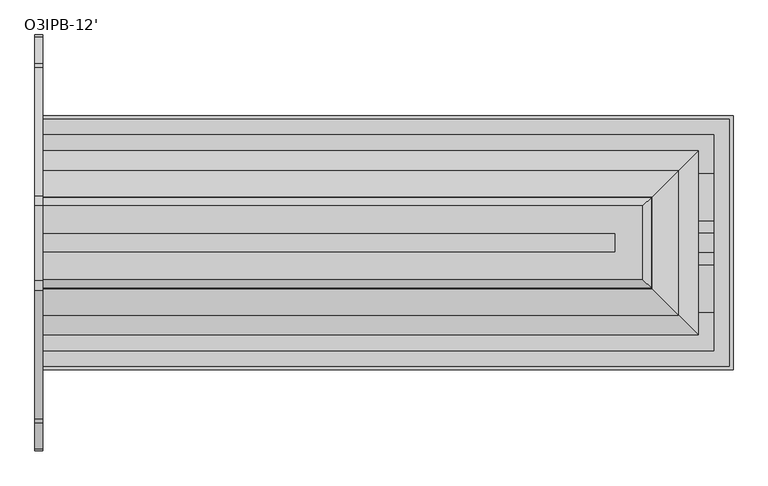
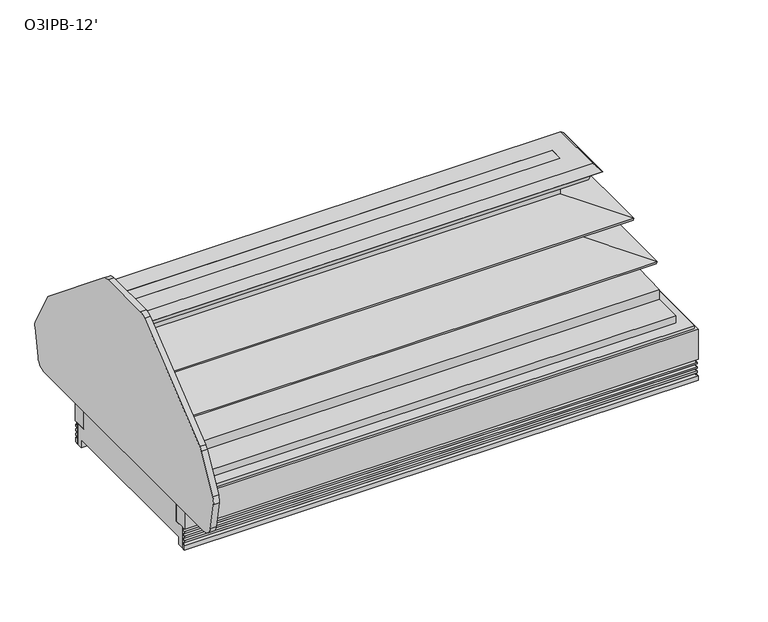
"""IFC4 building model written with IfcOpenShell, lengths in millimetres: proxy geometry, O3IPB-12'."""

from ifc_helpers import new_model, si_unit, point, frame, frame_2d, origin, place, context, project, spatial, polyline, circle_curve, ellipse_curve, trimmed, segment, composite_curve, outline, extrude, faceted_brep, source, transform, mapped, element, save
from ifc_brep_helpers import plane_surface, cylinder_surface, revolved_surface, advanced_brep


def o3ipb_12_e5370c6c(model_context):
    return source(origin(), model_context, "Body", "SolidModel", [
        extrude(outline(polyline([(2986.0875, -1674.7518052), (3290.8875, -1674.7518052), (3290.8875, -1776.3518052), (2986.0875, -1776.3518052), (2986.0875, -1674.7518052)])), frame((0.0, 0.0, 72.0584982), z_axis=(0.0, 0.0, 1.0), x_axis=(1.0, 0.0, 0.0)), (0.0, 0.0, 1.0), 53.975),
        extrude(outline(composite_curve([segment(polyline([(-2347.8726435, 381.2758026), (-2382.8840439, 570.6117318)]), True, "CONTINUOUS"), segment(trimmed(circle_curve(frame_2d((-2307.9543575, 584.4674921)), 76.2), [point((-2382.8840439, 570.6117318))], [point((-2374.9247348, 620.8186758))], False, "CARTESIAN"), True, "CONTINUOUS"), segment(polyline([(-2374.9247348, 620.8186758), (-2245.3126248, 859.6051753)]), True, "CONTINUOUS"), segment(trimmed(circle_curve(frame_2d((-2178.3422475, 823.2539915)), 76.2), [point((-2245.3126248, 859.6051753))], [point((-2226.314448, 882.4579439))], False, "CARTESIAN"), True, "CONTINUOUS"), segment(polyline([(-2226.314448, 882.4579439), (-1595.6995645, 1393.4370667)]), True, "CONTINUOUS"), segment(trimmed(circle_curve(frame_2d((-1547.727364, 1334.2331143)), 76.2), [point((-1595.6995645, 1393.4370667))], [point((-1547.727364, 1410.4331143))], False, "CARTESIAN"), True, "CONTINUOUS"), segment(polyline([(-1547.727364, 1410.4331143), (-1179.1118906, 1410.4331143)]), True, "CONTINUOUS"), segment(trimmed(circle_curve(frame_2d((-1179.1118906, 1334.2331143)), 76.2), [point((-1179.1118906, 1410.4331143))], [point((-1131.13969, 1393.4370667))], False, "CARTESIAN"), True, "CONTINUOUS"), segment(polyline([(-1131.13969, 1393.4370667), (-500.5248066, 882.4579439)]), True, "CONTINUOUS"), segment(trimmed(circle_curve(frame_2d((-548.4970071, 823.2539915)), 76.2), [point((-500.5248066, 882.4579439))], [point((-481.5266298, 859.6051753))], False, "CARTESIAN"), True, "CONTINUOUS"), segment(polyline([(-481.5266298, 859.6051753), (-351.9145198, 620.8186758)]), True, "CONTINUOUS"), segment(trimmed(circle_curve(frame_2d((-418.8848971, 584.4674921)), 76.2), [point((-351.9145198, 620.8186758))], [point((-343.9552107, 570.6117318))], False, "CARTESIAN"), True, "CONTINUOUS"), segment(polyline([(-343.9552107, 570.6117318), (-378.5814629, 383.3586211)]), True, "CONTINUOUS"), segment(trimmed(circle_curve(frame_2d((-453.5111493, 397.2143814)), 76.2), [point((-378.5814629, 383.3586211))], [point((-453.5111493, 321.0143814))], False, "CARTESIAN"), True, "CONTINUOUS"), segment(polyline([(-453.5111493, 321.0143814), (-2273.358204, 321.0143814)]), True, "CONTINUOUS"), segment(trimmed(circle_curve(frame_2d((-2273.358204, 397.2143814)), 76.2), [point((-2273.358204, 321.0143814))], [point((-2347.8726435, 381.2758026))], False, "CARTESIAN"), True, "CONTINUOUS")], self_intersect=False)), frame((-38.1, 0.0, 0.0), z_axis=(1.0, 0.0, 0.0), x_axis=(0.0, 1.0, 0.0)), (0.0, 0.0, 1.0), 38.1),
        extrude(outline(composite_curve([segment(trimmed(circle_curve(frame_2d((1889.91875, -1850.8932531)), 19.05), [point((1870.86875, -1850.8932531))], [point((1908.96875, -1850.8932531))], False, "CARTESIAN"), True, "CONTINUOUS"), segment(trimmed(circle_curve(frame_2d((1889.91875, -1850.8932531)), 19.05), [point((1908.96875, -1850.8932531))], [point((1870.86875, -1850.8932531))], False, "CARTESIAN"), True, "CONTINUOUS")], self_intersect=False)), frame((0.0, 0.0, 21.2413941), z_axis=(0.0, 0.0, 1.0), x_axis=(1.0, 0.0, 0.0)), (0.0, 0.0, 1.0), 105.7586059),
        extrude(outline(composite_curve([segment(trimmed(circle_curve(frame_2d((928.6875, -837.9571273)), 11.1125), [point((917.575, -837.9571273))], [point((939.8, -837.9571273))], False, "CARTESIAN"), True, "CONTINUOUS"), segment(trimmed(circle_curve(frame_2d((928.6875, -837.9571273)), 11.1125), [point((939.8, -837.9571273))], [point((917.575, -837.9571273))], False, "CARTESIAN"), True, "CONTINUOUS")], self_intersect=False)), frame((0.0, 0.0, 31.4790022), z_axis=(0.0, 0.0, 1.0), x_axis=(1.0, 0.0, 0.0)), (0.0, 0.0, 1.0), 95.5209978),
        extrude(outline(composite_curve([segment(trimmed(circle_curve(frame_2d((954.0875, -837.9571273)), 4.7625), [point((949.325, -837.9571273))], [point((958.85, -837.9571273))], False, "CARTESIAN"), True, "CONTINUOUS"), segment(trimmed(circle_curve(frame_2d((954.0875, -837.9571273)), 4.7625), [point((958.85, -837.9571273))], [point((949.325, -837.9571273))], False, "CARTESIAN"), True, "CONTINUOUS")], self_intersect=False)), frame((0.0, 0.0, 31.4790022), z_axis=(0.0, 0.0, 1.0), x_axis=(1.0, 0.0, 0.0)), (0.0, 0.0, 1.0), 95.5209978),
        advanced_brep(
        [(3295.0149993, -1317.3127778, 501.7713996), (3295.0149993, -1317.3127778, 596.3608881), (3295.0149993, -1409.5264768, 596.3608881), (3295.0149993, -1409.5264768, 501.7713996), (3295.0149993, -1471.049877, 501.7713996), (3295.0149993, -1703.6334708, 489.9877274), (3295.0149993, -1703.6334708, 424.8942522), (3295.0149993, -1893.0096266, 424.8942522), (3295.0149993, -1893.0096266, 146.05), (3295.0149993, -1960.1374494, 146.05), (3295.0149993, -1960.1374494, 0.0), (3295.0149993, -1920.6000562, 0.0), (3295.0149993, -1920.6000562, 54.0556911), (3295.0149993, -1838.2500497, 54.0556911), (3295.0149993, -1838.2500497, 127.0), (3295.0149993, -1593.1285055, 127.0), (3295.0149993, -1593.1285055, 54.0556911), (3295.0149993, -806.2071273, 54.0556911), (3295.0149993, -806.2071273, 0.0), (3295.0149993, -766.7018052, 0.0), (3295.0149993, -766.7018052, 146.05), (3295.0149993, -833.829628, 146.05), (3295.0149993, -833.829628, 424.8942522), (3295.0149993, -1023.2057838, 424.8942522), (3295.0149993, -1023.2057838, 489.9877274), (3295.0149993, -1255.7893776, 501.7713996), (0.0, -1317.3127778, 501.7713996), (0.0, -1255.7893776, 501.7713996), (0.0, -1023.2057838, 489.9877274), (0.0, -1023.2057838, 424.8942522), (0.0, -833.829628, 424.8942522), (0.0, -833.829628, 146.05), (0.0, -766.7018052, 146.05), (0.0, -766.7018052, 0.0), (0.0, -806.2071273, 0.0), (0.0, -806.2071273, 54.0556911), (0.0, -1920.6000562, 54.0556911), (0.0, -1920.6000562, 0.0), (0.0, -1960.1374494, 0.0), (0.0, -1960.1374494, 146.05), (0.0, -1893.0096266, 146.05), (0.0, -1893.0096266, 424.8942522), (0.0, -1703.6334708, 424.8942522), (0.0, -1703.6334708, 489.9877274), (0.0, -1471.049877, 501.7713996), (0.0, -1409.5264768, 501.7713996), (0.0, -1409.5264768, 596.3608881), (0.0, -1317.3127778, 596.3608881), (909.6375, -837.9571273, 127.0), (973.1375, -837.9571273, 127.0), (973.1375, -837.9571273, 54.0556911), (909.6375, -837.9571273, 54.0556911), (941.3875, -806.2071273, 54.0556911), (2969.4533744, -1838.2500497, 127.0), (2969.4533744, -1593.1285055, 127.0), (2969.4533744, -1838.2500497, 54.0556911), (2969.4533744, -1593.1285055, 54.0556911), (1864.51875, -1850.8932531, 127.0), (1915.31875, -1850.8932531, 127.0), (1915.31875, -1850.8932531, 54.0556911), (1864.51875, -1850.8932531, 54.0556911), (941.3875, -806.2071273, 0.0)],
        [
            (0, 1),
            (1, 2),
            (2, 3),
            (3, 4),
            (4, 5),
            (5, 6),
            (6, 7),
            (7, 8),
            (8, 9),
            (9, 10),
            (10, 11),
            (11, 12),
            (12, 13),
            (13, 14),
            (14, 15),
            (15, 16),
            (16, 17),
            (17, 18),
            (18, 19),
            (19, 20),
            (20, 21),
            (21, 22),
            (22, 23),
            (23, 24),
            (24, 25),
            (25, 0),
            (26, 27),
            (27, 28),
            (28, 29),
            (29, 30),
            (30, 31),
            (31, 32),
            (32, 33),
            (33, 34),
            (34, 35),
            (35, 36),
            (36, 37),
            (37, 38),
            (38, 39),
            (39, 40),
            (40, 41),
            (41, 42),
            (42, 43),
            (43, 44),
            (44, 45),
            (45, 46),
            (46, 47),
            (47, 26),
            (0, 26),
            (47, 1),
            (46, 2),
            (45, 3),
            (44, 4),
            (43, 5),
            (42, 6),
            (41, 7),
            (40, 8),
            (21, 31),
            (30, 22),
            (29, 23),
            (28, 24),
            (27, 25),
            (48, 49, circle_curve(frame((941.3875, -837.9571273, 127.0), z_axis=(0.0, 0.0, -1.0), x_axis=(1.0, 0.0, 0.0)), 31.75)),
            (49, 48, circle_curve(frame((941.3875, -837.9571273, 127.0), z_axis=(0.0, 0.0, -1.0), x_axis=(1.0, 0.0, 0.0)), 31.75)),
            (49, 50),
            (50, 51, circle_curve(frame((941.3875, -837.9571273, 54.0556911), z_axis=(0.0, 0.0, -1.0), x_axis=(1.0, 0.0, 0.0)), 31.75)),
            (51, 48),
            (51, 52, circle_curve(frame((941.3875, -837.9571273, 54.0556911), z_axis=(0.0, 0.0, -1.0), x_axis=(1.0, 0.0, 0.0)), 31.75)),
            (52, 50, circle_curve(frame((941.3875, -837.9571273, 54.0556911), z_axis=(0.0, 0.0, -1.0), x_axis=(1.0, 0.0, 0.0)), 31.75)),
            (53, 54),
            (54, 15),
            (14, 53),
            (13, 55),
            (55, 53),
            (54, 56),
            (56, 16),
            (55, 56),
            (57, 58, circle_curve(frame((1889.91875, -1850.8932531, 127.0), z_axis=(0.0, 0.0, -1.0), x_axis=(1.0, 0.0, 0.0)), 25.4)),
            (58, 57, circle_curve(frame((1889.91875, -1850.8932531, 127.0), z_axis=(0.0, 0.0, -1.0), x_axis=(1.0, 0.0, 0.0)), 25.4)),
            (58, 59),
            (59, 60, circle_curve(frame((1889.91875, -1850.8932531, 54.0556911), z_axis=(0.0, 0.0, -1.0), x_axis=(1.0, 0.0, 0.0)), 25.4)),
            (60, 57),
            (60, 59, circle_curve(frame((1889.91875, -1850.8932531, 54.0556911), z_axis=(0.0, 0.0, -1.0), x_axis=(1.0, 0.0, 0.0)), 25.4)),
            (39, 9),
            (38, 10),
            (37, 11),
            (36, 12),
            (35, 52),
            (52, 17),
            (34, 61),
            (61, 18),
            (33, 19),
            (32, 20),
        ],
        [
            plane_surface(frame((3295.0149993, -1317.3127778, 596.3608881), z_axis=(1.0, 0.0, 0.0), x_axis=(0.0, 0.0, 1.0))),
            plane_surface(frame((0.0, -1317.3127778, 596.3608881), z_axis=(-1.0, 0.0, 0.0), x_axis=(0.0, 0.0, -1.0))),
            plane_surface(frame((3295.0149993, -1317.3127778, 501.7713996), z_axis=(0.0, 1.0, 0.0), x_axis=(-1.0, 0.0, 0.0))),
            plane_surface(frame((3295.0149993, -1317.3127778, 596.3608881), z_axis=(0.0, 0.0, 1.0), x_axis=(-1.0, 0.0, 0.0))),
            plane_surface(frame((3295.0149993, -1409.5264768, 596.3608881), z_axis=(0.0, -1.0, 0.0), x_axis=(-1.0, 0.0, 0.0))),
            plane_surface(frame((3295.0149993, -1409.5264768, 501.7713996), z_axis=(0.0, 0.0, 1.0), x_axis=(-1.0, 0.0, 0.0))),
            plane_surface(frame((3295.0149993, -1471.049877, 501.7713996), z_axis=(0.0, -0.0505993460418544, 0.9987190326513943), x_axis=(-1.0, 0.0, 0.0))),
            plane_surface(frame((3295.0149993, -1703.6334708, 489.9877274), z_axis=(0.0, -1.0, 0.0), x_axis=(-1.0, 0.0, 0.0))),
            plane_surface(frame((3295.0149993, -1703.6334708, 424.8942522), z_axis=(0.0, 0.0, 1.0), x_axis=(-1.0, 0.0, 0.0))),
            plane_surface(frame((3295.0149993, -1893.0096266, 424.8942522), z_axis=(0.0, -1.0, 0.0), x_axis=(-1.0, 0.0, 0.0))),
            plane_surface(frame((3295.0149993, -833.829628, 146.05), z_axis=(0.0, 1.0, 0.0), x_axis=(-1.0, 0.0, 0.0))),
            plane_surface(frame((3295.0149993, -833.829628, 424.8942522), z_axis=(0.0, 0.0, 1.0), x_axis=(-1.0, 0.0, 0.0))),
            plane_surface(frame((3295.0149993, -1023.2057838, 424.8942522), z_axis=(0.0, 1.0, 0.0), x_axis=(-1.0, 0.0, 0.0))),
            plane_surface(frame((3295.0149993, -1023.2057838, 489.9877274), z_axis=(0.0, 0.050599346041856966, 0.9987190326513942), x_axis=(-1.0, 0.0, 0.0))),
            plane_surface(frame((3295.0149993, -1255.7893776, 501.7713996), z_axis=(0.0, 0.0, 1.0), x_axis=(-1.0, 0.0, 0.0))),
            plane_surface(frame((973.1375, -837.9571273, 127.0), z_axis=(0.0, 0.0, -1.0), x_axis=(0.0, 1.0, 0.0))),
            revolved_surface(polyline([(973.1375, -837.9571273, 127.0), (973.1375, -837.9571273, 54.0556911)]), (941.3875, -837.9571273, 0.0), (0.0, 0.0, 1.0)),
            plane_surface(frame((3312.3533744, -1838.2500497, 127.0), z_axis=(0.0, 0.0, -1.0), x_axis=(1.0, 0.0, 0.0))),
            plane_surface(frame((2969.4533744, -1838.2500497, 127.0), z_axis=(0.0, 1.0, 0.0), x_axis=(0.0, 0.0, -1.0))),
            plane_surface(frame((3312.3533744, -1593.1285055, 127.0), z_axis=(0.0, -1.0, 0.0), x_axis=(0.0, 0.0, -1.0))),
            plane_surface(frame((2969.4533744, -1593.1285055, 127.0), z_axis=(1.0, 0.0, 0.0), x_axis=(0.0, 0.0, -1.0))),
            plane_surface(frame((1915.31875, -1850.8932531, 127.0), z_axis=(0.0, 0.0, -1.0), x_axis=(0.0, 1.0, 0.0))),
            revolved_surface(polyline([(1915.3187500000001, -1850.8932531, 127.0), (1915.3187500000001, -1850.8932531, 54.0556911)]), (1889.91875, -1850.8932531, 0.0), (0.0, 0.0, 1.0)),
            plane_surface(frame((3295.0149993, -1893.0096266, 146.05), z_axis=(0.0, 0.0, 1.0), x_axis=(-1.0, 0.0, 0.0))),
            plane_surface(frame((3295.0149993, -1960.1374494, 146.05), z_axis=(0.0, -1.0, 0.0), x_axis=(-1.0, 0.0, 0.0))),
            plane_surface(frame((3295.0149993, -1960.1374494, 0.0), z_axis=(0.0, 0.0, -1.0), x_axis=(-1.0, 0.0, 0.0))),
            plane_surface(frame((3295.0149993, -1920.6000562, 0.0), z_axis=(0.0, 1.0, 0.0), x_axis=(-1.0, 0.0, 0.0))),
            plane_surface(frame((3295.0149993, -1920.6000562, 54.0556911), z_axis=(0.0, 0.0, -1.0), x_axis=(-1.0, 0.0, 0.0))),
            plane_surface(frame((3295.0149993, -806.2071273, 54.0556911), z_axis=(0.0, -1.0, 0.0), x_axis=(-1.0, 0.0, 0.0))),
            plane_surface(frame((3295.0149993, -806.2071273, 0.0), z_axis=(0.0, 0.0, -1.0), x_axis=(-1.0, 0.0, 0.0))),
            plane_surface(frame((3295.0149993, -766.7018052, 0.0), z_axis=(0.0, 1.0, 0.0), x_axis=(-1.0, 0.0, 0.0))),
            plane_surface(frame((3295.0149993, -766.7018052, 146.05), z_axis=(0.0, 0.0, 1.0), x_axis=(-1.0, 0.0, 0.0))),
        ],
        [
            (0, [[1, 2, 3, 4, 5, 6, 7, 8, 9, 10, 11, 12, 13, 14, 15, 16, 17, 18, 19, 20, 21, 22, 23, 24, 25, 26]]),
            (1, [[27, 28, 29, 30, 31, 32, 33, 34, 35, 36, 37, 38, 39, 40, 41, 42, 43, 44, 45, 46, 47, 48]]),
            (2, [[-1, 49, -48, 50]]),
            (3, [[-2, -50, -47, 51]]),
            (4, [[-3, -51, -46, 52]]),
            (5, [[-4, -52, -45, 53]]),
            (6, [[-5, -53, -44, 54]]),
            (7, [[-6, -54, -43, 55]]),
            (8, [[-7, -55, -42, 56]]),
            (9, [[-8, -56, -41, 57]]),
            (10, [[-22, 58, -31, 59]]),
            (11, [[-23, -59, -30, 60]]),
            (12, [[-24, -60, -29, 61]]),
            (13, [[-25, -61, -28, 62]]),
            (14, [[-26, -62, -27, -49]]),
            (15, [[63, 64]]),
            (16, [[-64, 65, 66, 67]]),
            (16, [[-63, -67, 68, 69, -65]]),
            (17, [[70, 71, -15, 72]]),
            (18, [[-72, -14, 73, 74]]),
            (19, [[-71, 75, 76, -16]]),
            (20, [[-70, -74, 77, -75]]),
            (21, [[78, 79]]),
            (22, [[-79, 80, 81, 82]]),
            (22, [[-78, -82, 83, -80]]),
            (23, [[-9, -57, -40, 84]]),
            (24, [[-10, -84, -39, 85]]),
            (25, [[-11, -85, -38, 86]]),
            (26, [[-12, -86, -37, 87]]),
            (27, [[-36, 88, -68, -66, -69, 89, -17, -76, -77, -73, -13, -87], [-81, -83]]),
            (28, [[-18, -89, -88, -35, 90, 91]]),
            (29, [[-19, -91, -90, -34, 92]]),
            (30, [[-20, -92, -33, 93]]),
            (31, [[-21, -93, -32, -58]]),
        ],
    ),
        faceted_brep([(0.0, -1969.2096266, 354.3983804), (0.0, -1969.2096266, 374.65), (0.0, -1893.0096266, 374.65), (0.0, -1893.0096266, 146.05), (0.0, -1987.1166266, 146.05), (0.0, -1987.1166266, 354.3983804), (3371.2149993, -1969.2096266, 374.65), (3371.2149993, -1969.2096266, 354.3983804), (3371.2149993, -757.629628, 354.3983804), (3371.2149993, -757.629628, 374.65), (3295.0149993, -1893.0096266, 146.05), (3295.0149993, -1893.0096266, 374.65), (3295.0149993, -833.829628, 374.65), (3295.0149993, -833.829628, 146.05), (3389.1219993, -1987.1166266, 354.3983804), (3389.1219993, -1987.1166266, 146.05), (3389.1219993, -739.722628, 146.05), (3389.1219993, -739.722628, 354.3983804), (0.0, -757.629628, 354.3983804), (0.0, -757.629628, 374.65), (0.0, -833.829628, 374.65), (0.0, -833.829628, 146.05), (0.0, -739.722628, 146.05), (0.0, -739.722628, 354.3983804)], [[[0, 1, 2, 3, 4, 5]], [[6, 7, 8, 9]], [[10, 11, 12, 13]], [[14, 15, 16, 17]], [[9, 8, 18, 19]], [[13, 12, 20, 21]], [[17, 16, 22, 23]], [[18, 23, 22, 21, 20, 19]], [[1, 0, 7, 6]], [[2, 1, 6, 9, 19, 20, 12, 11]], [[3, 2, 11, 10]], [[4, 3, 10, 13, 21, 22, 16, 15]], [[5, 4, 15, 14]], [[0, 5, 14, 17, 23, 18, 8, 7]]]),
        advanced_brep(
        [(0.0, -1985.7651061, 31.4790022), (0.0, -1973.7348032, 41.0863151), (0.0, -1970.2457061, 52.2515752), (0.0, -1980.8829014, 50.0937524), (0.0, -1982.8768014, 50.0937524), (0.0, -1982.8768014, 62.7937524), (0.0, -1973.7348032, 72.0584982), (0.0, -1970.2457061, 83.2237583), (0.0, -1980.8829014, 81.0659355), (0.0, -1982.8768014, 81.0659355), (0.0, -1982.8768014, 93.7659355), (0.0, -1973.7348032, 103.0306813), (0.0, -1970.2457061, 114.0694894), (0.0, -1980.8829014, 112.0383055), (0.0, -1982.8768014, 112.0383055), (0.0, -1982.8768014, 124.7383055), (0.0, -1970.2457061, 137.4381186), (0.0, -1970.2457061, 146.05), (0.0, -1960.1374494, 146.05), (0.0, -1960.1374494, 0.0), (0.0, -1985.7651061, 0.0), (3387.7704788, -1985.7651061, 31.4790022), (3375.7401759, -1973.7348032, 41.0863151), (3372.2510788, -1970.2457061, 52.2515752), (3382.8882741, -1980.8829014, 50.0937524), (3382.8882741, -745.9563532, 50.0937524), (0.0, -745.9563532, 50.0937524), (0.0, -743.9624532, 50.0937524), (3384.8821741, -743.9624532, 50.0937524), (3384.8821741, -1982.8768014, 50.0937524), (3384.8821741, -1982.8768014, 62.7937524), (3375.7401759, -1973.7348032, 72.0584982), (3372.2510788, -1970.2457061, 83.2237583), (3382.8882741, -1980.8829014, 81.0659355), (3382.8882741, -745.9563532, 81.0659355), (0.0, -745.9563532, 81.0659355), (0.0, -743.9624532, 81.0659355), (3384.8821741, -743.9624532, 81.0659355), (3384.8821741, -1982.8768014, 81.0659355), (3384.8821741, -1982.8768014, 93.7659355), (3375.7401759, -1973.7348032, 103.0306813), (3372.2510788, -1970.2457061, 114.0694894), (3382.8882741, -1980.8829014, 112.0383055), (3382.8882741, -745.9563532, 112.0383055), (0.0, -745.9563532, 112.0383055), (0.0, -743.9624532, 112.0383055), (3384.8821741, -743.9624532, 112.0383055), (3384.8821741, -1982.8768014, 112.0383055), (3384.8821741, -1982.8768014, 124.7383055), (3372.2510788, -1970.2457061, 137.4381186), (3372.2510788, -1970.2457061, 146.05), (3372.2510788, -756.5935485, 146.05), (0.0, -756.5935485, 146.05), (0.0, -766.7018052, 146.05), (3362.1428221, -766.7018052, 146.05), (3362.1428221, -1960.1374494, 146.05), (3362.1428221, -1960.1374494, 0.0), (3362.1428221, -766.7018052, 0.0), (0.0, -766.7018052, 0.0), (0.0, -741.0741485, 0.0), (3387.7704788, -741.0741485, 0.0), (3387.7704788, -1985.7651061, 0.0), (3387.7704788, -741.0741485, 31.4790022), (3375.7401759, -753.1044514, 41.0863151), (3372.2510788, -756.5935485, 52.2515752), (3384.8821741, -743.9624532, 62.7937524), (3375.7401759, -753.1044514, 72.0584982), (3372.2510788, -756.5935485, 83.2237583), (3384.8821741, -743.9624532, 93.7659355), (3375.7401759, -753.1044514, 103.0306813), (3372.2510788, -756.5935485, 114.0694894), (3384.8821741, -743.9624532, 124.7383055), (3372.2510788, -756.5935485, 137.4381186), (0.0, -756.5935485, 52.2515752), (0.0, -753.1044514, 41.0863151), (0.0, -741.0741485, 31.4790022), (0.0, -756.5935485, 137.4381186), (0.0, -743.9624532, 124.7383055), (0.0, -756.5935485, 114.0694894), (0.0, -753.1044514, 103.0306813), (0.0, -743.9624532, 93.7659355), (0.0, -756.5935485, 83.2237583), (0.0, -753.1044514, 72.0584982), (0.0, -743.9624532, 62.7937524)],
        [
            (0, 1, circle_curve(frame((0.0, -1984.7113588, 42.4953422), z_axis=(1.0, 0.0, 0.0), x_axis=(0.0, 1.0, 0.0)), 11.0666223)),
            (1, 2),
            (2, 3),
            (3, 4),
            (4, 5),
            (5, 6, circle_curve(frame((0.0, -1986.0686404, 75.0861144), z_axis=(1.0, 0.0, 0.0), x_axis=(0.0, 1.0, 0.0)), 12.7)),
            (6, 7),
            (7, 8),
            (8, 9),
            (9, 10),
            (10, 11, circle_curve(frame((0.0, -1986.0686404, 106.0582975), z_axis=(1.0, 0.0, 0.0), x_axis=(0.0, 1.0, 0.0)), 12.7)),
            (11, 12),
            (12, 13),
            (13, 14),
            (14, 15),
            (15, 16, circle_curve(frame((0.0, -1982.9457061, 137.4381186), z_axis=(1.0, 0.0, 0.0), x_axis=(0.0, 1.0, 0.0)), 12.7)),
            (16, 17),
            (17, 18),
            (18, 19),
            (19, 20),
            (20, 0),
            (0, 21),
            (21, 22, ellipse_curve(frame((3386.7167315, -1984.7113588, 42.4953422), z_axis=(0.7071067811865475, 0.7071067811865475, 0.0), x_axis=(0.7071067811865476, -0.7071067811865474, 0.0)), 15.6505674, 11.0666223)),
            (22, 1),
            (22, 23),
            (23, 2),
            (23, 24),
            (24, 3),
            (24, 25),
            (25, 26),
            (26, 27),
            (27, 28),
            (28, 29),
            (29, 4),
            (29, 30),
            (30, 5),
            (30, 31, ellipse_curve(frame((3388.0740131, -1986.0686404, 75.0861144), z_axis=(0.7071067811865475, 0.7071067811865475, 0.0), x_axis=(0.7071067811865476, -0.7071067811865474, 0.0)), 17.9605122, 12.7)),
            (31, 6),
            (31, 32),
            (32, 7),
            (32, 33),
            (33, 8),
            (33, 34),
            (34, 35),
            (35, 36),
            (36, 37),
            (37, 38),
            (38, 9),
            (38, 39),
            (39, 10),
            (39, 40, ellipse_curve(frame((3388.0740131, -1986.0686404, 106.0582975), z_axis=(0.7071067811865475, 0.7071067811865475, 0.0), x_axis=(0.7071067811865476, -0.7071067811865474, 0.0)), 17.9605122, 12.7)),
            (40, 11),
            (40, 41),
            (41, 12),
            (41, 42),
            (42, 13),
            (42, 43),
            (43, 44),
            (44, 45),
            (45, 46),
            (46, 47),
            (47, 14),
            (47, 48),
            (48, 15),
            (48, 49, ellipse_curve(frame((3384.9510788, -1982.9457061, 137.4381186), z_axis=(0.7071067811865475, 0.7071067811865475, 0.0), x_axis=(0.7071067811865476, -0.7071067811865474, 0.0)), 17.9605122, 12.7)),
            (49, 16),
            (49, 50),
            (50, 17),
            (50, 51),
            (51, 52),
            (52, 53),
            (53, 54),
            (54, 55),
            (55, 18),
            (55, 56),
            (56, 19),
            (56, 57),
            (57, 58),
            (58, 59),
            (59, 60),
            (60, 61),
            (61, 20),
            (61, 21),
            (21, 62),
            (62, 63, ellipse_curve(frame((3386.7167315, -742.1278958, 42.4953422), z_axis=(-0.7071067811865475, 0.7071067811865475, 0.0), x_axis=(0.7071067811865474, 0.7071067811865476, 0.0)), 15.6505674, 11.0666223)),
            (63, 22),
            (63, 64),
            (64, 23),
            (64, 25),
            (28, 65),
            (65, 30),
            (65, 66, ellipse_curve(frame((3388.0740131, -740.7706142, 75.0861144), z_axis=(-0.7071067811865475, 0.7071067811865475, 0.0), x_axis=(0.7071067811865474, 0.7071067811865476, 0.0)), 17.9605122, 12.7)),
            (66, 31),
            (66, 67),
            (67, 32),
            (67, 34),
            (37, 68),
            (68, 39),
            (68, 69, ellipse_curve(frame((3388.0740131, -740.7706142, 106.0582975), z_axis=(-0.7071067811865475, 0.7071067811865475, 0.0), x_axis=(0.7071067811865474, 0.7071067811865476, 0.0)), 17.9605122, 12.7)),
            (69, 40),
            (69, 70),
            (70, 41),
            (70, 43),
            (46, 71),
            (71, 48),
            (71, 72, ellipse_curve(frame((3384.9510788, -743.8935485, 137.4381186), z_axis=(-0.7071067811865475, 0.7071067811865475, 0.0), x_axis=(0.7071067811865474, 0.7071067811865476, 0.0)), 17.9605122, 12.7)),
            (72, 49),
            (72, 51),
            (54, 57),
            (60, 62),
            (26, 73),
            (73, 74),
            (74, 75, circle_curve(frame((0.0, -742.1278958, 42.4953422), z_axis=(1.0, 0.0, 0.0), x_axis=(0.0, -1.0, 0.0)), 11.0666223)),
            (75, 59),
            (58, 53),
            (52, 76),
            (76, 77, circle_curve(frame((0.0, -743.8935485, 137.4381186), z_axis=(1.0, 0.0, 0.0), x_axis=(0.0, -1.0, 0.0)), 12.7)),
            (77, 45),
            (44, 78),
            (78, 79),
            (79, 80, circle_curve(frame((0.0, -740.7706142, 106.0582975), z_axis=(1.0, 0.0, 0.0), x_axis=(0.0, -1.0, 0.0)), 12.7)),
            (80, 36),
            (35, 81),
            (81, 82),
            (82, 83, circle_curve(frame((0.0, -740.7706142, 75.0861144), z_axis=(1.0, 0.0, 0.0), x_axis=(0.0, -1.0, 0.0)), 12.7)),
            (83, 27),
            (62, 75),
            (74, 63),
            (73, 64),
            (83, 65),
            (82, 66),
            (81, 67),
            (80, 68),
            (79, 69),
            (78, 70),
            (77, 71),
            (76, 72),
        ],
        [
            plane_surface(frame((0.0, -2377.8321273, 0.0), z_axis=(-1.0, 0.0, 0.0), x_axis=(0.0, 0.0, 1.0))),
            revolved_surface(polyline([(3397.7833538379573, -1973.6447365, 42.4953422), (0.0, -1973.6447365, 42.4953422)]), (0.0, -1984.7113588, 42.4953422), (1.0, 0.0, 0.0)),
            plane_surface(frame((0.0, -1973.7348032, 41.0863151), z_axis=(0.0, -0.9544811145041915, 0.29827135641029406), x_axis=(1.0, 0.0, 0.0))),
            plane_surface(frame((0.0, -1970.2457061, 52.2515752), z_axis=(0.0, 0.19880707887699167, -0.9800386448443743), x_axis=(1.0, 0.0, 0.0))),
            plane_surface(frame((0.0, -1980.8829014, 50.0937524), z_axis=(0.0, 0.0, -1.0), x_axis=(1.0, 0.0, 0.0))),
            plane_surface(frame((0.0, -1982.8768014, 50.0937524), z_axis=(0.0, -1.0, 0.0), x_axis=(1.0, 0.0, 0.0))),
            revolved_surface(polyline([(3400.7740130702036, -1973.3686404, 75.0861144), (0.0, -1973.3686404, 75.0861144)]), (0.0, -1986.0686404, 75.0861144), (1.0, 0.0, 0.0)),
            plane_surface(frame((0.0, -1973.7348032, 72.0584982), z_axis=(0.0, -0.954481114504461, 0.2982713564094313), x_axis=(1.0, 0.0, 0.0))),
            plane_surface(frame((0.0, -1970.2457061, 83.2237583), z_axis=(0.0, 0.19880707887699767, -0.9800386448443731), x_axis=(1.0, 0.0, 0.0))),
            plane_surface(frame((0.0, -1980.8829014, 81.0659355), z_axis=(0.0, 0.0, -1.0), x_axis=(1.0, 0.0, 0.0))),
            plane_surface(frame((0.0, -1982.8768014, 81.0659355), z_axis=(0.0, -1.0, 0.0), x_axis=(1.0, 0.0, 0.0))),
            revolved_surface(polyline([(3400.7740130702036, -1973.3686404, 106.0582975), (0.0, -1973.3686404, 106.0582975)]), (0.0, -1986.0686404, 106.0582975), (1.0, 0.0, 0.0)),
            plane_surface(frame((0.0, -1973.7348032, 103.0306813), z_axis=(0.0, -0.9535043111332897, 0.3013793766172973), x_axis=(1.0, 0.0, 0.0))),
            plane_surface(frame((0.0, -1970.2457061, 114.0694894), z_axis=(0.0, 0.18756221551803973, -0.9822527247658641), x_axis=(1.0, 0.0, 0.0))),
            plane_surface(frame((0.0, -1980.8829014, 112.0383055), z_axis=(0.0, 0.0, -1.0), x_axis=(1.0, 0.0, 0.0))),
            plane_surface(frame((0.0, -1982.8768014, 112.0383055), z_axis=(0.0, -1.0, 0.0), x_axis=(1.0, 0.0, 0.0))),
            revolved_surface(polyline([(3397.6510787702036, -1970.2457061, 137.4381186), (0.0, -1970.2457061, 137.4381186)]), (0.0, -1982.9457061, 137.4381186), (1.0, 0.0, 0.0)),
            plane_surface(frame((0.0, -1970.2457061, 137.4381186), z_axis=(0.0, -1.0, 0.0), x_axis=(1.0, 0.0, 0.0))),
            plane_surface(frame((0.0, -1970.2457061, 146.05), z_axis=(0.0, 0.0, 1.0), x_axis=(1.0, 0.0, 0.0))),
            plane_surface(frame((0.0, -1960.1374494, 146.05), z_axis=(0.0, 1.0, 0.0), x_axis=(1.0, 0.0, 0.0))),
            plane_surface(frame((0.0, -1960.1374494, 0.0), z_axis=(0.0, 0.0, -1.0), x_axis=(1.0, 0.0, 0.0))),
            plane_surface(frame((0.0, -1985.7651061, 0.0), z_axis=(0.0, -1.0, 0.0), x_axis=(1.0, 0.0, 0.0))),
            revolved_surface(polyline([(3375.6501092000003, -731.0612734620429, 42.4953422), (3375.6501092000003, -1995.777981137957, 42.4953422)]), (3386.7167315, -2377.8321273, 42.4953422), (0.0, 1.0, 0.0)),
            plane_surface(frame((3375.7401759, -1973.7348032, 41.0863151), z_axis=(0.9544811145041915, 0.0, 0.29827135641029406), x_axis=(0.0, 1.0, 0.0))),
            plane_surface(frame((3372.2510788, -1970.2457061, 52.2515752), z_axis=(-0.19880707887699167, 0.0, -0.9800386448443743), x_axis=(0.0, 1.0, 0.0))),
            plane_surface(frame((3384.8821741, -1982.8768014, 50.0937524), z_axis=(1.0, 0.0, 0.0), x_axis=(0.0, 1.0, 0.0))),
            revolved_surface(polyline([(3375.3740131, -728.0706142297963, 75.0861144), (3375.3740131, -1998.7686403702037, 75.0861144)]), (3388.0740131, -2377.8321273, 75.0861144), (0.0, 1.0, 0.0)),
            plane_surface(frame((3375.7401759, -1973.7348032, 72.0584982), z_axis=(0.954481114504461, 0.0, 0.2982713564094313), x_axis=(0.0, 1.0, 0.0))),
            plane_surface(frame((3372.2510788, -1970.2457061, 83.2237583), z_axis=(-0.19880707887699767, 0.0, -0.9800386448443731), x_axis=(0.0, 1.0, 0.0))),
            plane_surface(frame((3384.8821741, -1982.8768014, 81.0659355), z_axis=(1.0, 0.0, 0.0), x_axis=(0.0, 1.0, 0.0))),
            revolved_surface(polyline([(3375.3740131, -728.0706142297963, 106.0582975), (3375.3740131, -1998.7686403702037, 106.0582975)]), (3388.0740131, -2377.8321273, 106.0582975), (0.0, 1.0, 0.0)),
            plane_surface(frame((3375.7401759, -1973.7348032, 103.0306813), z_axis=(0.9535043111332897, 0.0, 0.3013793766172973), x_axis=(0.0, 1.0, 0.0))),
            plane_surface(frame((3372.2510788, -1970.2457061, 114.0694894), z_axis=(-0.18756221551803973, 0.0, -0.9822527247658641), x_axis=(0.0, 1.0, 0.0))),
            plane_surface(frame((3384.8821741, -1982.8768014, 112.0383055), z_axis=(1.0, 0.0, 0.0), x_axis=(0.0, 1.0, 0.0))),
            revolved_surface(polyline([(3372.2510788, -731.1935485297963, 137.4381186), (3372.2510788, -1995.6457060702037, 137.4381186)]), (3384.9510788, -2377.8321273, 137.4381186), (0.0, 1.0, 0.0)),
            plane_surface(frame((3372.2510788, -1970.2457061, 137.4381186), z_axis=(1.0, 0.0, 0.0), x_axis=(0.0, 1.0, 0.0))),
            plane_surface(frame((3362.1428221, -1960.1374494, 146.05), z_axis=(-1.0, 0.0, 0.0), x_axis=(0.0, 1.0, 0.0))),
            plane_surface(frame((3387.7704788, -1985.7651061, 0.0), z_axis=(1.0, 0.0, 0.0), x_axis=(0.0, 1.0, 0.0))),
            plane_surface(frame((0.0, -349.0071273, 0.0), z_axis=(-1.0, 0.0, 0.0), x_axis=(0.0, 0.0, 1.0))),
            revolved_surface(polyline([(0.0, -753.1945181, 42.4953422), (3397.7833538379573, -753.1945181, 42.4953422)]), (3779.8375, -742.1278958, 42.4953422), (-1.0, 0.0, 0.0)),
            plane_surface(frame((3375.7401759, -753.1044514, 41.0863151), z_axis=(0.0, 0.9544811145041915, 0.29827135641029406), x_axis=(-1.0, 0.0, 0.0))),
            plane_surface(frame((3372.2510788, -756.5935485, 52.2515752), z_axis=(0.0, -0.19880707887699167, -0.9800386448443743), x_axis=(-1.0, 0.0, 0.0))),
            plane_surface(frame((3384.8821741, -743.9624532, 50.0937524), z_axis=(0.0, 1.0, 0.0), x_axis=(-1.0, 0.0, 0.0))),
            revolved_surface(polyline([(0.0, -753.4706142, 75.0861144), (3400.7740130702036, -753.4706142, 75.0861144)]), (3779.8375, -740.7706142, 75.0861144), (-1.0, 0.0, 0.0)),
            plane_surface(frame((3375.7401759, -753.1044514, 72.0584982), z_axis=(0.0, 0.954481114504461, 0.2982713564094313), x_axis=(-1.0, 0.0, 0.0))),
            plane_surface(frame((3372.2510788, -756.5935485, 83.2237583), z_axis=(0.0, -0.19880707887699767, -0.9800386448443731), x_axis=(-1.0, 0.0, 0.0))),
            plane_surface(frame((3384.8821741, -743.9624532, 81.0659355), z_axis=(0.0, 1.0, 0.0), x_axis=(-1.0, 0.0, 0.0))),
            revolved_surface(polyline([(0.0, -753.4706142, 106.0582975), (3400.7740130702036, -753.4706142, 106.0582975)]), (3779.8375, -740.7706142, 106.0582975), (-1.0, 0.0, 0.0)),
            plane_surface(frame((3375.7401759, -753.1044514, 103.0306813), z_axis=(0.0, 0.9535043111332897, 0.3013793766172973), x_axis=(-1.0, 0.0, 0.0))),
            plane_surface(frame((3372.2510788, -756.5935485, 114.0694894), z_axis=(0.0, -0.18756221551803973, -0.9822527247658641), x_axis=(-1.0, 0.0, 0.0))),
            plane_surface(frame((3384.8821741, -743.9624532, 112.0383055), z_axis=(0.0, 1.0, 0.0), x_axis=(-1.0, 0.0, 0.0))),
            revolved_surface(polyline([(0.0, -756.5935485, 137.4381186), (3397.6510787702036, -756.5935485, 137.4381186)]), (3779.8375, -743.8935485, 137.4381186), (-1.0, 0.0, 0.0)),
            plane_surface(frame((3372.2510788, -756.5935485, 137.4381186), z_axis=(0.0, 1.0, 0.0), x_axis=(-1.0, 0.0, 0.0))),
            plane_surface(frame((3362.1428221, -766.7018052, 146.05), z_axis=(0.0, -1.0, 0.0), x_axis=(-1.0, 0.0, 0.0))),
            plane_surface(frame((3387.7704788, -741.0741485, 0.0), z_axis=(0.0, 1.0, 0.0), x_axis=(-1.0, 0.0, 0.0))),
        ],
        [
            (0, [[1, 2, 3, 4, 5, 6, 7, 8, 9, 10, 11, 12, 13, 14, 15, 16, 17, 18, 19, 20, 21]]),
            (1, [[-1, 22, 23, 24]]),
            (2, [[-2, -24, 25, 26]]),
            (3, [[-3, -26, 27, 28]]),
            (4, [[-4, -28, 29, 30, 31, 32, 33, 34]]),
            (5, [[-5, -34, 35, 36]]),
            (6, [[-6, -36, 37, 38]]),
            (7, [[-7, -38, 39, 40]]),
            (8, [[-8, -40, 41, 42]]),
            (9, [[-9, -42, 43, 44, 45, 46, 47, 48]]),
            (10, [[-10, -48, 49, 50]]),
            (11, [[-11, -50, 51, 52]]),
            (12, [[-12, -52, 53, 54]]),
            (13, [[-13, -54, 55, 56]]),
            (14, [[-14, -56, 57, 58, 59, 60, 61, 62]]),
            (15, [[-15, -62, 63, 64]]),
            (16, [[-16, -64, 65, 66]]),
            (17, [[-17, -66, 67, 68]]),
            (18, [[-18, -68, 69, 70, 71, 72, 73, 74]]),
            (19, [[-19, -74, 75, 76]]),
            (20, [[-20, -76, 77, 78, 79, 80, 81, 82]]),
            (21, [[-21, -82, 83, -22]]),
            (22, [[-23, 84, 85, 86]]),
            (23, [[-25, -86, 87, 88]]),
            (24, [[-27, -88, 89, -29]]),
            (25, [[-33, 90, 91, -35]]),
            (26, [[-37, -91, 92, 93]]),
            (27, [[-39, -93, 94, 95]]),
            (28, [[-41, -95, 96, -43]]),
            (29, [[-47, 97, 98, -49]]),
            (30, [[-51, -98, 99, 100]]),
            (31, [[-53, -100, 101, 102]]),
            (32, [[-55, -102, 103, -57]]),
            (33, [[-61, 104, 105, -63]]),
            (34, [[-65, -105, 106, 107]]),
            (35, [[-67, -107, 108, -69]]),
            (36, [[-73, 109, -77, -75]]),
            (37, [[-81, 110, -84, -83]]),
            (38, [[-31, 111, 112, 113, 114, -79, 115, -71, 116, 117, 118, -59, 119, 120, 121, 122, -45, 123, 124, 125, 126]]),
            (39, [[-85, 127, -113, 128]]),
            (40, [[-87, -128, -112, 129]]),
            (41, [[-30, -89, -129, -111]]),
            (42, [[-32, -126, 130, -90]]),
            (43, [[-92, -130, -125, 131]]),
            (44, [[-94, -131, -124, 132]]),
            (45, [[-44, -96, -132, -123]]),
            (46, [[-46, -122, 133, -97]]),
            (47, [[-99, -133, -121, 134]]),
            (48, [[-101, -134, -120, 135]]),
            (49, [[-58, -103, -135, -119]]),
            (50, [[-60, -118, 136, -104]]),
            (51, [[-106, -136, -117, 137]]),
            (52, [[-70, -108, -137, -116]]),
            (53, [[-72, -115, -78, -109]]),
            (54, [[-80, -114, -127, -110]]),
        ],
    ),
        faceted_brep([(0.0, -1577.4755258, 1073.8457968), (0.0, -1581.1886465, 1085.9908672), (0.0, -1714.025354, 1045.3786101), (0.0, -1717.9705447, 1058.2827474), (0.0, -1409.5264768, 1152.5835624), (0.0, -1409.5264768, 1092.1606989), (2983.1940192, -1145.6506081, 1085.9908672), (2979.4808985, -1149.3637288, 1073.8457968), (0.0, -1149.3637288, 1073.8457968), (0.0, -1145.6506081, 1085.9908672), (3116.0307267, -1012.8139006, 1045.3786101), (0.0, -1012.8139006, 1045.3786101), (3119.9759174, -1008.8687099, 1058.2827474), (0.0, -1008.8687099, 1058.2827474), (2811.5318495, -1317.3127778, 1152.5835624), (0.0, -1317.3127778, 1152.5835624), (2811.5318495, -1317.3127778, 1092.1606989), (0.0, -1317.3127778, 1092.1606989), (2979.4808985, -1577.4755258, 1073.8457968), (2983.1940192, -1581.1886465, 1085.9908672), (3116.0307267, -1714.025354, 1045.3786101), (3119.9759174, -1717.9705447, 1058.2827474), (2811.5318495, -1409.5264768, 1152.5835624), (2811.5318495, -1409.5264768, 1092.1606989)], [[[0, 1, 2, 3, 4, 5]], [[6, 7, 8, 9]], [[10, 6, 9, 11]], [[12, 10, 11, 13]], [[14, 12, 13, 15]], [[16, 14, 15, 17]], [[7, 16, 17, 8]], [[8, 17, 15, 13, 11, 9]], [[1, 0, 18, 19]], [[2, 1, 19, 20]], [[3, 2, 20, 21]], [[4, 3, 21, 22]], [[5, 4, 22, 23]], [[0, 5, 23, 18]], [[19, 18, 7, 6]], [[20, 19, 6, 10]], [[21, 20, 10, 12]], [[22, 21, 12, 14]], [[23, 22, 14, 16]], [[18, 23, 16, 7]]]),
        faceted_brep([(0.0, -1815.2167077, 780.9932892), (0.0, -1409.5264768, 905.0252399), (0.0, -1409.5264768, 844.1309787), (0.0, -1678.096383, 802.1647337), (0.0, -1679.9529433, 808.2372689), (0.0, -1811.271517, 768.0891519), (2811.5318495, -1317.3127778, 905.0252399), (3217.2220804, -911.6225469, 780.9932892), (0.0, -911.6225469, 780.9932892), (0.0, -1317.3127778, 905.0252399), (2811.5318495, -1317.3127778, 844.1309787), (0.0, -1317.3127778, 844.1309787), (3080.1017557, -1048.7428716, 802.1647337), (0.0, -1048.7428716, 802.1647337), (3081.958316, -1046.8863113, 808.2372689), (0.0, -1046.8863113, 808.2372689), (3213.2768897, -915.5677376, 768.0891519), (0.0, -915.5677376, 768.0891519), (3217.2220804, -1815.2167077, 780.9932892), (2811.5318495, -1409.5264768, 905.0252399), (2811.5318495, -1409.5264768, 844.1309787), (3080.1017557, -1678.096383, 802.1647337), (3081.958316, -1679.9529433, 808.2372689), (3213.2768897, -1811.271517, 768.0891519)], [[[0, 1, 2, 3, 4, 5]], [[6, 7, 8, 9]], [[10, 6, 9, 11]], [[12, 10, 11, 13]], [[14, 12, 13, 15]], [[16, 14, 15, 17]], [[7, 16, 17, 8]], [[8, 17, 15, 13, 11, 9]], [[1, 0, 18, 19]], [[2, 1, 19, 20]], [[3, 2, 20, 21]], [[4, 3, 21, 22]], [[5, 4, 22, 23]], [[0, 5, 23, 18]], [[19, 18, 7, 6]], [[20, 19, 6, 10]], [[21, 20, 10, 12]], [[22, 21, 12, 14]], [[23, 22, 14, 16]], [[18, 23, 16, 7]]]),
        advanced_brep(
        [(0.0, -1409.5264768, 1286.4096126), (0.0, -1507.8694273, 1286.4096126), (0.0, -1525.7333965, 1280.4763215), (0.0, -1549.1966039, 1351.1194113), (0.0, -1586.8844203, 1351.1194113), (0.0, -1587.4695725, 1352.4336847), (0.0, -1544.7451998, 1399.8839077), (0.0, -1409.5264768, 1399.8839077), (2927.7387692, -1525.7333965, 1280.4763215), (2909.8748, -1507.8694273, 1286.4096126), (2909.8748, -1218.9698273, 1286.4096126), (2927.7387692, -1201.1058581, 1280.4763215), (2951.2019766, -1549.1966039, 1351.1194113), (2951.2019766, -1177.6426507, 1351.1194113), (2989.4749452, -1587.4695725, 1352.4336847), (2988.889793, -1586.8844203, 1351.1194113), (2988.889793, -1139.9548343, 1351.1194113), (2989.4749452, -1139.3696821, 1352.4336847), (2946.7505725, -1544.7451998, 1399.8839077), (2946.7505725, -1182.0940548, 1399.8839077), (2811.5318495, -1409.5264768, 1286.4096126), (2811.5318495, -1409.5264768, 1399.8839077), (2811.5318495, -1317.3127778, 1399.8839077), (2811.5318495, -1317.3127778, 1286.4096126), (0.0, -1218.9698273, 1286.4096126), (0.0, -1201.1058581, 1280.4763215), (0.0, -1177.6426507, 1351.1194113), (0.0, -1139.9548343, 1351.1194113), (0.0, -1139.3696821, 1352.4336847), (0.0, -1182.0940548, 1399.8839077), (0.0, -1317.3127778, 1399.8839077), (0.0, -1317.3127778, 1286.4096126)],
        [
            (0, 1),
            (1, 2),
            (2, 3),
            (3, 4),
            (4, 5, circle_curve(frame((0.0, -1586.8844203, 1351.9068113), z_axis=(-1.0, 0.0, 0.0), x_axis=(0.0, 1.0, 0.0)), 0.7874)),
            (5, 6),
            (6, 7),
            (7, 0),
            (8, 9),
            (9, 10),
            (10, 11),
            (11, 8),
            (12, 8),
            (11, 13),
            (13, 12),
            (14, 15, ellipse_curve(frame((2988.889793, -1586.8844203, 1351.9068113), z_axis=(0.7071067811865475, 0.7071067811865475, 0.0), x_axis=(0.7071067811865474, -0.7071067811865476, 0.0)), 1.1135517, 0.7874)),
            (15, 16),
            (16, 17, ellipse_curve(frame((2988.889793, -1139.9548343, 1351.9068113), z_axis=(0.7071067811865475, -0.7071067811865475, 0.0), x_axis=(-0.7071067811865474, -0.7071067811865476, 0.0)), 1.1135517, 0.7874)),
            (17, 14),
            (18, 14),
            (17, 19),
            (19, 18),
            (20, 21),
            (21, 22),
            (22, 23),
            (23, 20),
            (10, 24),
            (24, 25),
            (25, 11),
            (25, 26),
            (26, 13),
            (16, 27),
            (27, 28, circle_curve(frame((0.0, -1139.9548343, 1351.9068113), z_axis=(1.0, 0.0, 0.0), x_axis=(0.0, -1.0, 0.0)), 0.7874)),
            (28, 17),
            (28, 29),
            (29, 19),
            (22, 30),
            (30, 31),
            (31, 23),
            (30, 29),
            (27, 26),
            (24, 31),
            (0, 20),
            (9, 1),
            (8, 2),
            (12, 3),
            (15, 4),
            (14, 5),
            (18, 6),
            (21, 7),
        ],
        [
            plane_surface(frame((0.0, -2377.8321273, 0.0), z_axis=(-1.0, 0.0, 0.0), x_axis=(0.0, 0.0, 1.0))),
            plane_surface(frame((2909.8748, -1507.8694273, 1286.4096126), z_axis=(-0.31520605330006624, 0.0, -0.9490232578619957), x_axis=(0.0, 1.0, 0.0))),
            plane_surface(frame((2927.7387692, -1525.7333965, 1280.4763215), z_axis=(0.9490232578619817, 0.0, -0.3152060533001079), x_axis=(0.0, 1.0, 0.0))),
            cylinder_surface(frame((2988.889793, -2377.8321273, 1351.9068113), z_axis=(0.0, -1.0, 0.0), x_axis=(-1.0, 0.0, 0.0)), 0.7874),
            plane_surface(frame((2989.4749452, -1587.4695725, 1352.4336847), z_axis=(0.7431448255118338, 0.0, 0.6691306063206092), x_axis=(0.0, 1.0, 0.0))),
            plane_surface(frame((2811.5318495, -1409.5264768, 1399.8839077), z_axis=(-1.0, 0.0, 0.0), x_axis=(0.0, 1.0, 0.0))),
            plane_surface(frame((2909.8748, -1218.9698273, 1286.4096126), z_axis=(0.0, -0.31520605330006624, -0.9490232578619957), x_axis=(-1.0, 0.0, 0.0))),
            plane_surface(frame((2927.7387692, -1201.1058581, 1280.4763215), z_axis=(0.0, 0.9490232578619817, -0.3152060533001079), x_axis=(-1.0, 0.0, 0.0))),
            cylinder_surface(frame((3779.8375, -1139.9548343, 1351.9068113), z_axis=(1.0, 0.0, 0.0), x_axis=(0.0, -1.0, 0.0)), 0.7874),
            plane_surface(frame((2989.4749452, -1139.3696821, 1352.4336847), z_axis=(0.0, 0.7431448255118338, 0.6691306063206092), x_axis=(-1.0, 0.0, 0.0))),
            plane_surface(frame((2811.5318495, -1317.3127778, 1399.8839077), z_axis=(0.0, -1.0, 0.0), x_axis=(-1.0, 0.0, 0.0))),
            plane_surface(frame((0.0, -349.0071273, 0.0), z_axis=(-1.0, 0.0, 0.0), x_axis=(0.0, 0.0, 1.0))),
            plane_surface(frame((0.0, -1409.5264768, 1286.4096126), z_axis=(0.0, 0.0, -1.0), x_axis=(1.0, 0.0, 0.0))),
            plane_surface(frame((0.0, -1507.8694273, 1286.4096126), z_axis=(0.0, 0.31520605330006624, -0.9490232578619957), x_axis=(1.0, 0.0, 0.0))),
            plane_surface(frame((0.0, -1525.7333965, 1280.4763215), z_axis=(0.0, -0.9490232578619817, -0.3152060533001079), x_axis=(1.0, 0.0, 0.0))),
            plane_surface(frame((0.0, -1549.1966039, 1351.1194113), z_axis=(0.0, 0.0, -1.0), x_axis=(1.0, 0.0, 0.0))),
            cylinder_surface(frame((0.0, -1586.8844203, 1351.9068113), z_axis=(-1.0, 0.0, 0.0), x_axis=(0.0, 1.0, 0.0)), 0.7874),
            plane_surface(frame((0.0, -1587.4695725, 1352.4336847), z_axis=(0.0, -0.7431448255118338, 0.6691306063206092), x_axis=(1.0, 0.0, 0.0))),
            plane_surface(frame((0.0, -1544.7451998, 1399.8839077), z_axis=(0.0, 0.0, 1.0), x_axis=(1.0, 0.0, 0.0))),
            plane_surface(frame((0.0, -1409.5264768, 1399.8839077), z_axis=(0.0, 1.0, 0.0), x_axis=(1.0, 0.0, 0.0))),
        ],
        [
            (0, [[1, 2, 3, 4, 5, 6, 7, 8]]),
            (1, [[9, 10, 11, 12]]),
            (2, [[13, -12, 14, 15]]),
            (3, [[16, 17, 18, 19]]),
            (4, [[20, -19, 21, 22]]),
            (5, [[23, 24, 25, 26]]),
            (6, [[-11, 27, 28, 29]]),
            (7, [[-14, -29, 30, 31]]),
            (8, [[-18, 32, 33, 34]]),
            (9, [[-21, -34, 35, 36]]),
            (10, [[-25, 37, 38, 39]]),
            (11, [[-38, 40, -35, -33, 41, -30, -28, 42]]),
            (12, [[-1, 43, -26, -39, -42, -27, -10, 44]]),
            (13, [[-2, -44, -9, 45]]),
            (14, [[-3, -45, -13, 46]]),
            (15, [[-4, -46, -15, -31, -41, -32, -17, 47]]),
            (16, [[-5, -47, -16, 48]]),
            (17, [[-6, -48, -20, 49]]),
            (18, [[-7, -49, -22, -36, -40, -37, -24, 50]]),
            (19, [[-8, -50, -23, -43]]),
        ],
    ),
        extrude(outline(polyline([(2811.5318495, -1317.3127778), (2811.5318495, -1409.5264768), (0.0, -1409.5264768), (0.0, -1317.3127778), (2811.5318495, -1317.3127778)])), frame((0.0, 0.0, 596.3608881), z_axis=(0.0, 0.0, 1.0), x_axis=(1.0, 0.0, 0.0)), (0.0, 0.0, 1.0), 803.5230196),
    ])


if __name__ == "__main__":
    model = new_model("IFC4")
    model_context = context("Model", 3, world=origin())
    ifc_project = project(units=[si_unit("LENGTHUNIT", "METRE", prefix="MILLI")], contexts=[model_context])
    site = spatial("IfcSite", under=ifc_project)
    building = spatial("IfcBuilding", under=site)
    placement = place(None, origin())
    o3ipb_12_shape = o3ipb_12_e5370c6c(model_context)
    element("IfcBuildingElementProxy", 1, Name="O3IPB-12'", ObjectType="O3IPB-12'", at=placement, inside=building, context=model_context, shape_type="MappedRepresentation", body=[
        mapped(o3ipb_12_shape, transform((0.0, 0.0, 0.0), x_axis=(1.0, 0.0, 0.0), y_axis=(0.0, 1.0, 0.0), z_axis=(0.0, 0.0, 1.0))),
    ])
    save(model, "model.ifc")
